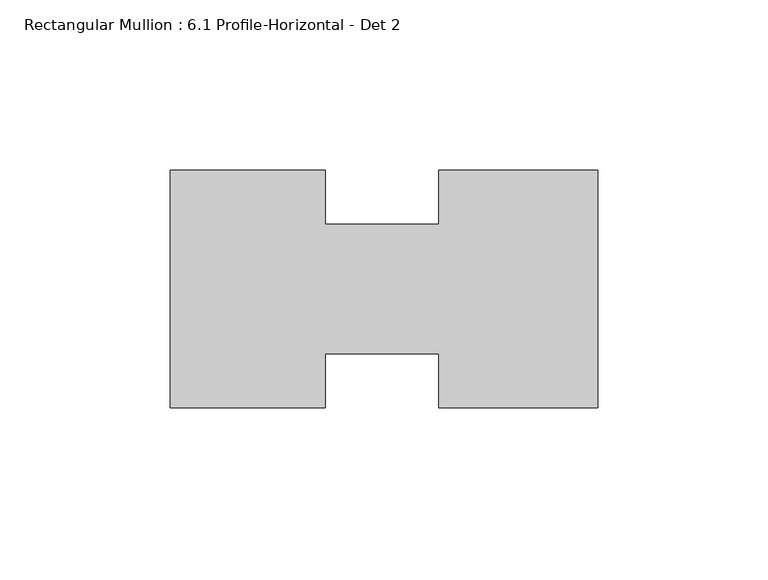
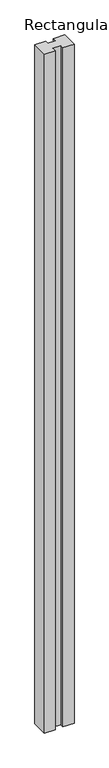
"""IFC4 building model written with IfcOpenShell, lengths in millimetres: member geometry, Rectangular Mullion : 6.1 Profile-Horizontal - Det 2."""

from ifc_helpers import new_model, si_unit, frame, origin, place, context, project, spatial, polyline, outline, extrude, source, transform, mapped, element, save


def rectangular_mullion_6_1_profile_horizontal_det_2_ae7b54cb(model_context):
    return source(origin(), model_context, "Body", "SweptSolid", [
        extrude(outline(polyline([(-80.2091346, -34.925), (-125.7808, -34.925), (-125.7808, 34.925), (-80.2091346, 34.925), (-80.2091346, 19.05), (-46.8497888, 19.05), (-46.8497888, 34.925), (0.0, 34.925), (0.0, -34.925), (-46.8503, -34.925), (-46.8503, -19.05), (-80.2091346, -19.05), (-80.2091346, -34.925)])), frame((0.0, 0.0, -3048.0), z_axis=(0.0, 0.0, 1.0), x_axis=(1.0, 0.0, 0.0)), (0.0, 0.0, 1.0), 3048.0),
    ])


if __name__ == "__main__":
    model = new_model("IFC4")
    model_context = context("Model", 3, world=origin())
    ifc_project = project(units=[si_unit("LENGTHUNIT", "METRE", prefix="MILLI")], contexts=[model_context])
    site = spatial("IfcSite", under=ifc_project)
    building = spatial("IfcBuilding", under=site)
    placement = place(None, origin())
    rectangular_mullion_6_1_profile_horizontal_det_2_shape = rectangular_mullion_6_1_profile_horizontal_det_2_ae7b54cb(model_context)
    element("IfcMember", 1, ObjectType="Rectangular Mullion : 6.1 Profile-Horizontal - Det 2", at=placement, inside=building, context=model_context, shape_type="MappedRepresentation", body=[
        mapped(rectangular_mullion_6_1_profile_horizontal_det_2_shape, transform((0.0, 0.0, 0.0), x_axis=(1.0, 0.0, 0.0), y_axis=(0.0, 1.0, 0.0), z_axis=(0.0, 0.0, 1.0))),
    ])
    save(model, "model.ifc")
